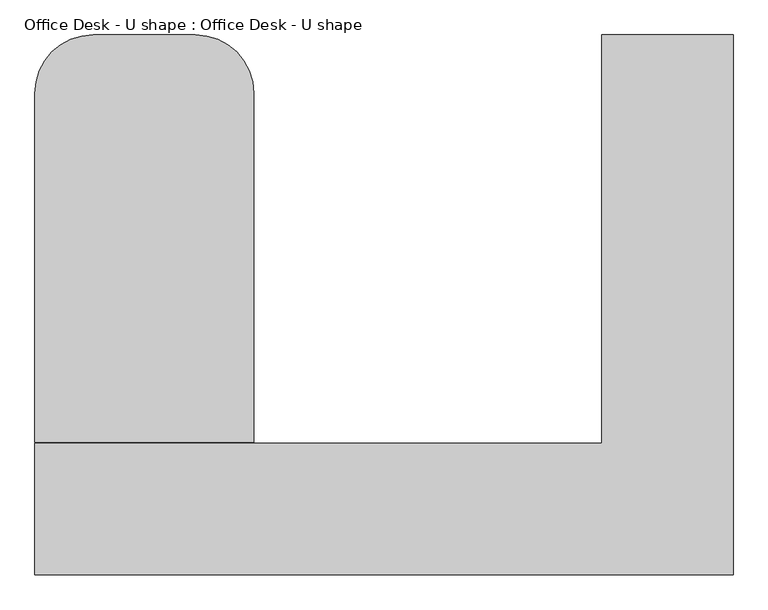
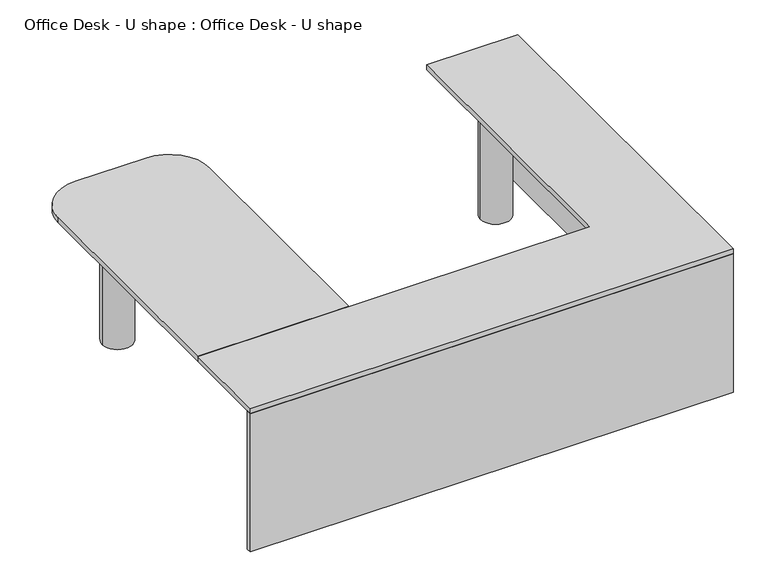
"""IFC4 building model written with IfcOpenShell, lengths in millimetres: furniture geometry, Office Desk - U shape : Office Desk - U shape."""

from ifc_helpers import new_model, si_unit, point, frame, frame_2d, origin, origin_with_axes, place, context, project, spatial, polyline, circle_curve, trimmed, segment, composite_curve, outline, extrude, source, transform, mapped, element, save


def office_desk_u_shape_office_desk_u_shape_71a35dda(model_context):
    return source(origin(), model_context, "Body", "SweptSolid", [
        extrude(outline(composite_curve([segment(trimmed(circle_curve(frame_2d((1078.033239, 1068.2440149)), 76.2), [point((1001.833239, 1068.2440149))], [point((1154.233239, 1068.2440149))], False, "CARTESIAN"), True, "CONTINUOUS"), segment(trimmed(circle_curve(frame_2d((1078.033239, 1068.2440149)), 76.2), [point((1154.233239, 1068.2440149))], [point((1001.833239, 1068.2440149))], False, "CARTESIAN"), True, "CONTINUOUS")], self_intersect=False)), origin_with_axes(), (0.0, 0.0, 1.0), 736.9244184),
        extrude(outline(polyline([(-674.852173, 0.0), (-674.852173, 609.6), (-370.052173, 609.6), (-370.052173, 0.0), (-674.852173, 0.0)])), frame((0.0, 0.0, 695.6494184), z_axis=(0.0, 0.0, 1.0), x_axis=(1.0, 0.0, 0.0)), (0.0, 0.0, 1.0), 38.1),
        extrude(outline(polyline([(-1132.052173, -620.2578213), (-1132.052173, -594.8578213), (1273.9422757, -594.8578213), (1273.9422757, 1259.3421787), (1299.3422757, 1259.3421787), (1299.3422757, -620.2578213), (-1132.052173, -620.2578213)])), origin_with_axes(), (0.0, 0.0, 1.0), 736.9244184),
        extrude(outline(polyline([(-814.266761, 992.0440149), (-814.266761, -594.8578213), (-839.666761, -594.8578213), (-839.666761, 992.0440149), (-814.266761, 992.0440149)])), frame((0.0, 0.0, 355.9495182), z_axis=(0.0, 0.0, 1.0), x_axis=(1.0, 0.0, 0.0)), (0.0, 0.0, 1.0), 380.9749002),
        extrude(outline(composite_curve([segment(trimmed(circle_curve(frame_2d((-826.966761, 1068.2440149)), 76.2), [point((-903.166761, 1068.2440149))], [point((-750.766761, 1068.2440149))], False, "CARTESIAN"), True, "CONTINUOUS"), segment(trimmed(circle_curve(frame_2d((-826.966761, 1068.2440149)), 76.2), [point((-750.766761, 1068.2440149))], [point((-903.166761, 1068.2440149))], False, "CARTESIAN"), True, "CONTINUOUS")], self_intersect=False)), origin_with_axes(), (0.0, 0.0, 1.0), 736.9244184),
        extrude(outline(composite_curve([segment(polyline([(-370.052173, -159.8828213), (-1132.052173, -159.8828213), (-1132.052173, 1056.1421787)]), True, "CONTINUOUS"), segment(trimmed(circle_curve(frame_2d((-928.852173, 1056.1421787)), 203.2), [point((-1132.052173, 1056.1421787))], [point((-928.852173, 1259.3421787))], False, "CARTESIAN"), True, "CONTINUOUS"), segment(polyline([(-928.852173, 1259.3421787), (-573.252173, 1259.3421787)]), True, "CONTINUOUS"), segment(trimmed(circle_curve(frame_2d((-573.252173, 1056.1421787)), 203.2), [point((-573.252173, 1259.3421787))], [point((-370.052173, 1056.1421787))], False, "CARTESIAN"), True, "CONTINUOUS"), segment(polyline([(-370.052173, 1056.1421787), (-370.052173, -159.8828213)]), True, "CONTINUOUS")], self_intersect=False)), frame((0.0, 0.0, 736.9244184), z_axis=(0.0, 0.0, 1.0), x_axis=(1.0, 0.0, 0.0)), (0.0, 0.0, 1.0), 25.0755816),
        extrude(outline(polyline([(1299.3422757, -620.2578213), (-1132.052173, -620.2578213), (-1132.052173, -163.0578213), (842.1422757, -163.0578213), (842.1422757, 1259.3421787), (1299.3422757, 1259.3421787), (1299.3422757, -620.2578213)])), frame((0.0, 0.0, 736.9244184), z_axis=(0.0, 0.0, 1.0), x_axis=(1.0, 0.0, 0.0)), (0.0, 0.0, 1.0), 25.0755816),
    ])


if __name__ == "__main__":
    model = new_model("IFC4")
    model_context = context("Model", 3, world=origin())
    ifc_project = project(units=[si_unit("LENGTHUNIT", "METRE", prefix="MILLI")], contexts=[model_context])
    site = spatial("IfcSite", under=ifc_project)
    building = spatial("IfcBuilding", under=site)
    placement = place(None, origin())
    office_desk_u_shape_office_desk_u_shape_shape = office_desk_u_shape_office_desk_u_shape_71a35dda(model_context)
    element("IfcFurniture", 1, ObjectType="Office Desk - U shape : Office Desk - U shape", at=placement, inside=building, context=model_context, shape_type="MappedRepresentation", body=[
        mapped(office_desk_u_shape_office_desk_u_shape_shape, transform((0.0, 0.0, 0.0), x_axis=(1.0, 0.0, 0.0), y_axis=(0.0, 1.0, 0.0), z_axis=(0.0, 0.0, 1.0))),
    ])
    save(model, "model.ifc")
